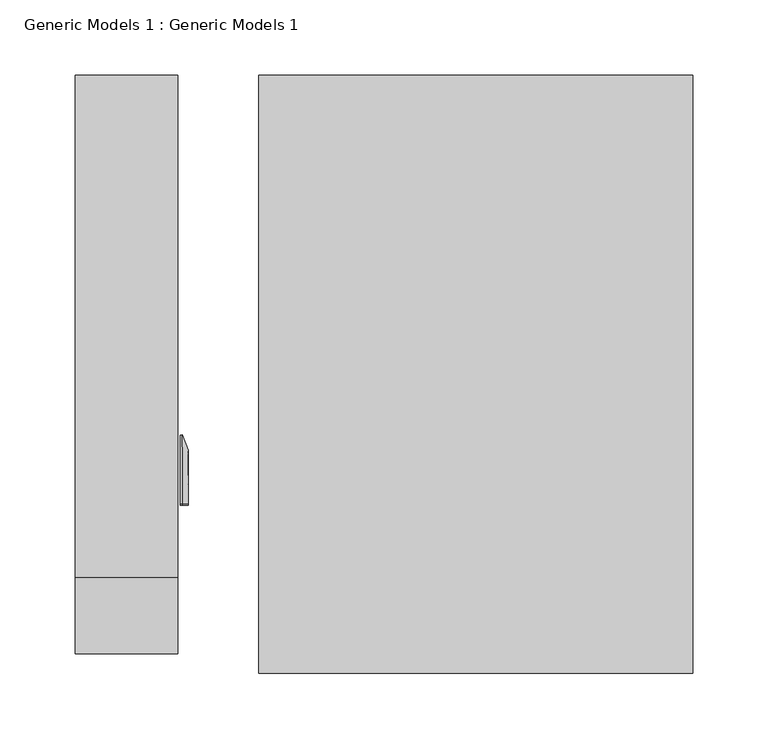
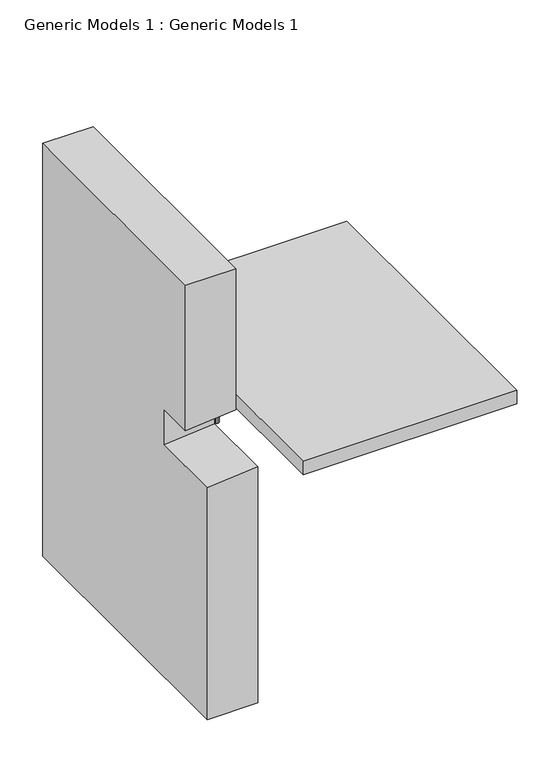
"""IFC4 building model written with IfcOpenShell, lengths in millimetres: proxy geometry, Generic Models 1 : Generic Models 1."""

from ifc_helpers import new_model, si_unit, point, frame, origin, place, context, project, spatial, polyline, circle_curve, ellipse_curve, trimmed, outline, extrude, faceted_brep, source, transform, mapped, element, save
from ifc_brep_helpers import plane_surface, cylinder_surface, revolved_surface, advanced_brep


def generic_models_1_generic_models_1_40f81c49(model_context):
    return source(origin(), model_context, "Body", "SolidModel", [
        advanced_brep(
        [(46.9749755, 110.6696992, 369.4748414), (48.41875, 112.2506797, 369.4748414), (48.41875, 143.2987298, 369.4748414), (44.5098791, 154.0382642, 369.4748414), (46.0016412, 154.5812212, 369.4748414), (49.8147741, 144.1047246, 369.4748414), (50.00625, 143.0188107, 369.4748414), (50.00625, 112.2506797, 369.4748414), (47.118701, 109.0887188, 369.4748414), (44.45, 108.8461096, 369.4748414), (44.45, 110.440156, 369.4748414), (46.9749755, 110.6696992, 417.4974733), (48.41875, 112.2506797, 417.4974733), (48.41875, 108.4598112, 421.2883418), (48.41875, 107.6587794, 421.2883418), (48.41875, 107.6587794, 452.3363919), (48.41875, 108.4598112, 452.3363919), (48.41875, 143.2987298, 417.4974733), (44.5098791, 154.0382642, 417.4974733), (46.0016412, 154.5812212, 417.4974733), (49.8147741, 144.1047246, 417.4974733), (50.00625, 143.0188107, 417.4974733), (50.00625, 108.4598112, 452.0564728), (50.00625, 107.6587794, 452.0564728), (50.00625, 107.6587794, 421.2883418), (50.00625, 108.4598112, 421.2883418), (50.00625, 112.2506797, 417.4974733), (47.118701, 109.0887188, 417.4974733), (44.45, 108.8461096, 417.4974733), (44.45, 108.4598112, 417.8837717), (44.45, 107.6587794, 417.8837717), (44.45, 107.6587794, 419.4778182), (44.45, 108.4598112, 419.4778182), (44.45, 110.440156, 417.4974733), (46.9749755, 108.4598112, 419.7073614), (44.5098791, 108.4598112, 463.0759264), (46.0016412, 108.4598112, 463.6188833), (49.8147741, 108.4598112, 453.1423868), (47.118701, 108.4598112, 418.1263809), (46.9749755, 107.6587794, 419.7073614), (47.118701, 107.6587794, 418.1263809), (49.8147741, 107.6587794, 453.1423868), (46.0016412, 107.6587794, 463.6188833), (44.5098791, 107.6587794, 463.0759264)],
        [
            (0, 1, circle_curve(frame((46.83125, 112.2506797, 369.4748414), z_axis=(0.0, 0.0, 1.0), x_axis=(1.0, 0.0, 0.0)), 1.5875)),
            (1, 2),
            (2, 3),
            (3, 4),
            (4, 5),
            (5, 6, circle_curve(frame((46.83125, 143.0188107, 369.4748414), z_axis=(0.0, 0.0, -1.0), x_axis=(1.0, 0.0, 0.0)), 3.175)),
            (6, 7),
            (7, 8, circle_curve(frame((46.83125, 112.2506797, 369.4748414), z_axis=(0.0, 0.0, -1.0), x_axis=(1.0, 0.0, 0.0)), 3.175)),
            (8, 9),
            (9, 10),
            (10, 0),
            (0, 11),
            (11, 12, circle_curve(frame((46.83125, 112.2506797, 417.4974733), z_axis=(0.0, 0.0, 1.0), x_axis=(1.0, 0.0, 0.0)), 1.5875)),
            (12, 1),
            (12, 13, circle_curve(frame((48.41875, 108.4598112, 417.4974733), z_axis=(1.0, 0.0, 0.0), x_axis=(0.0, 1.0, 0.0)), 3.7908685)),
            (13, 14),
            (14, 15),
            (15, 16),
            (16, 17, circle_curve(frame((48.41875, 108.4598112, 417.4974733), z_axis=(-1.0, 0.0, 0.0), x_axis=(0.0, 1.0, 0.0)), 34.8389186)),
            (17, 2),
            (17, 18),
            (18, 3),
            (18, 19),
            (19, 4),
            (19, 20),
            (20, 5),
            (20, 21, circle_curve(frame((46.83125, 143.0188107, 417.4974733), z_axis=(0.0, 0.0, -1.0), x_axis=(1.0, 0.0, 0.0)), 3.175)),
            (21, 6),
            (21, 22, circle_curve(frame((50.00625, 108.4598112, 417.4974733), z_axis=(1.0, 0.0, 0.0), x_axis=(0.0, 1.0, 0.0)), 34.5589995)),
            (22, 23),
            (23, 24),
            (24, 25),
            (25, 26, circle_curve(frame((50.00625, 108.4598112, 417.4974733), z_axis=(-1.0, 0.0, 0.0), x_axis=(0.0, 1.0, 0.0)), 3.7908685)),
            (26, 7),
            (26, 27, circle_curve(frame((46.83125, 112.2506797, 417.4974733), z_axis=(0.0, 0.0, -1.0), x_axis=(1.0, 0.0, 0.0)), 3.175)),
            (27, 8),
            (27, 28),
            (28, 9),
            (28, 29, circle_curve(frame((44.45, 108.4598112, 417.4974733), z_axis=(1.0, 0.0, 0.0), x_axis=(0.0, 1.0, 0.0)), 0.3862984)),
            (29, 30),
            (30, 31),
            (31, 32),
            (32, 33, circle_curve(frame((44.45, 108.4598112, 417.4974733), z_axis=(-1.0, 0.0, 0.0), x_axis=(0.0, 1.0, 0.0)), 1.9803448)),
            (33, 10),
            (33, 11),
            (11, 34, circle_curve(frame((46.9749755, 108.4598112, 417.4974733), z_axis=(1.0, 0.0, 0.0), x_axis=(0.0, 1.0, 0.0)), 2.2098881)),
            (34, 13, circle_curve(frame((46.83125, 108.4598112, 421.2883418), z_axis=(0.0, -1.0, 0.0), x_axis=(1.0, 0.0, 0.0)), 1.5875)),
            (35, 18, circle_curve(frame((44.5098791, 108.4598112, 417.4974733), z_axis=(-1.0, 0.0, 0.0), x_axis=(0.0, 1.0, 0.0)), 45.578453)),
            (16, 35),
            (36, 19, circle_curve(frame((46.0016412, 108.4598112, 417.4974733), z_axis=(-1.0, 0.0, 0.0), x_axis=(0.0, 1.0, 0.0)), 46.12141)),
            (35, 36),
            (37, 20, circle_curve(frame((49.8147741, 108.4598112, 417.4974733), z_axis=(-1.0, 0.0, 0.0), x_axis=(0.0, 1.0, 0.0)), 35.6449135)),
            (36, 37),
            (37, 22, circle_curve(frame((46.83125, 108.4598112, 452.0564728), z_axis=(0.0, 1.0, 0.0), x_axis=(1.0, 0.0, 0.0)), 3.175)),
            (38, 27, circle_curve(frame((47.118701, 108.4598112, 417.4974733), z_axis=(-1.0, 0.0, 0.0), x_axis=(0.0, 1.0, 0.0)), 0.6289076)),
            (25, 38, circle_curve(frame((46.83125, 108.4598112, 421.2883418), z_axis=(0.0, 1.0, 0.0), x_axis=(1.0, 0.0, 0.0)), 3.175)),
            (38, 29),
            (32, 34),
            (39, 31),
            (30, 40),
            (40, 24, circle_curve(frame((46.83125, 107.6587794, 421.2883418), z_axis=(0.0, -1.0, 0.0), x_axis=(1.0, 0.0, 0.0)), 3.175)),
            (23, 41, circle_curve(frame((46.83125, 107.6587794, 452.0564728), z_axis=(0.0, -1.0, 0.0), x_axis=(1.0, 0.0, 0.0)), 3.175)),
            (41, 42),
            (42, 43),
            (43, 15),
            (14, 39, circle_curve(frame((46.83125, 107.6587794, 421.2883418), z_axis=(0.0, 1.0, 0.0), x_axis=(1.0, 0.0, 0.0)), 1.5875)),
            (34, 39),
            (43, 35),
            (42, 36),
            (41, 37),
            (40, 38),
        ],
        [
            plane_surface(frame((44.45, 110.4441862, 369.4748414), z_axis=(0.0, 0.0, -1.0), x_axis=(1.0, 0.0, 0.0))),
            revolved_surface(polyline([(48.418749999999996, 112.2506797, 417.4974733), (48.418749999999996, 112.2506797, 369.4748414)]), (46.83125, 112.2506797, 369.4748414), (0.0, 0.0, 1.0)),
            plane_surface(frame((48.41875, 112.2506797, 369.4748414), z_axis=(-1.0, 0.0, 0.0), x_axis=(0.0, 0.0, 1.0))),
            plane_surface(frame((48.41875, 143.2987298, 369.4748414), z_axis=(-0.9396926207859074, -0.3420201433256716, 0.0), x_axis=(0.0, 0.0, 1.0))),
            plane_surface(frame((44.5098791, 154.0382642, 369.4748414), z_axis=(-0.3420201433256607, 0.9396926207859114, 0.0), x_axis=(0.0, 0.0, 1.0))),
            plane_surface(frame((46.0016412, 154.5812212, 369.4748414), z_axis=(0.939692620785906, 0.3420201433256756, 0.0), x_axis=(0.0, 0.0, 1.0))),
            cylinder_surface(frame((46.83125, 143.0188107, 369.4748414), z_axis=(0.0, 0.0, -1.0), x_axis=(1.0, 0.0, 0.0)), 3.175),
            plane_surface(frame((50.00625, 143.0188107, 369.4748414), z_axis=(1.0, 0.0, 0.0), x_axis=(0.0, 0.0, 1.0))),
            cylinder_surface(frame((46.83125, 112.2506797, 369.4748414), z_axis=(0.0, 0.0, -1.0), x_axis=(1.0, 0.0, 0.0)), 3.175),
            plane_surface(frame((47.118701, 109.0887188, 369.4748414), z_axis=(0.0905357460425202, -0.9958932064677037, 0.0), x_axis=(0.0, 0.0, 1.0))),
            plane_surface(frame((44.45, 108.8461096, 369.4748414), z_axis=(-1.0, 0.0, 0.0), x_axis=(0.0, 0.0, 1.0))),
            plane_surface(frame((44.45, 110.440156, 369.4748414), z_axis=(-0.09053574604252104, 0.9958932064677036, 0.0), x_axis=(0.0, 0.0, 1.0))),
            revolved_surface(trimmed(ellipse_curve(frame((46.83125, 112.2506797, 417.4974733), z_axis=(0.0, 0.0, 1.0), x_axis=(1.0, 0.0, 0.0)), 1.5875, 1.5875), [point((46.9749755, 110.6696992, 417.4974733))], [point((48.41875, 112.2506797, 417.4974733))], True, "CARTESIAN"), (44.45, 108.4598112, 417.4974733), (1.0, 0.0, 0.0)),
            revolved_surface(polyline([(48.41875, 143.2987298, 417.4974733), (44.5098791, 154.0382642, 417.4974733)]), (44.45, 108.4598112, 417.4974733), (1.0, 0.0, 0.0)),
            revolved_surface(polyline([(44.5098791, 154.0382642, 417.4974733), (46.0016412, 154.5812212, 417.4974733)]), (44.45, 108.4598112, 417.4974733), (1.0, 0.0, 0.0)),
            revolved_surface(polyline([(46.0016412, 154.5812212, 417.4974733), (49.8147741, 144.1047246, 417.4974733)]), (44.45, 108.4598112, 417.4974733), (1.0, 0.0, 0.0)),
            revolved_surface(trimmed(ellipse_curve(frame((46.83125, 143.0188107, 417.4974733), z_axis=(0.0, 0.0, -1.0), x_axis=(1.0, 0.0, 0.0)), 3.175, 3.175), [point((49.8147741, 144.1047246, 417.4974733))], [point((50.00625, 143.0188107, 417.4974733))], True, "CARTESIAN"), (44.45, 108.4598112, 417.4974733), (1.0, 0.0, 0.0)),
            revolved_surface(trimmed(ellipse_curve(frame((46.83125, 112.2506797, 417.4974733), z_axis=(0.0, 0.0, -1.0), x_axis=(1.0, 0.0, 0.0)), 3.175, 3.175), [point((50.00625, 112.2506797, 417.4974733))], [point((47.118701, 109.0887188, 417.4974733))], True, "CARTESIAN"), (44.45, 108.4598112, 417.4974733), (1.0, 0.0, 0.0)),
            revolved_surface(polyline([(47.118701, 109.0887188, 417.4974733), (44.45, 108.8461096, 417.4974733)]), (44.45, 108.4598112, 417.4974733), (1.0, 0.0, 0.0)),
            revolved_surface(polyline([(44.45, 110.440156, 417.4974733), (46.9749755, 110.6696992, 417.4974733)]), (44.45, 108.4598112, 417.4974733), (1.0, 0.0, 0.0)),
            plane_surface(frame((44.45, 107.6587794, 419.4818483), z_axis=(0.0, -1.0, 0.0), x_axis=(1.0, 0.0, 0.0))),
            revolved_surface(polyline([(48.418749999999996, 107.6587794, 421.2883418), (48.418749999999996, 108.4598112, 421.2883418)]), (46.83125, 108.4598112, 421.2883418), (0.0, -1.0, 0.0)),
            plane_surface(frame((48.41875, 108.4598112, 452.3363919), z_axis=(-0.9396926207859091, 0.0, -0.3420201433256669), x_axis=(0.0, -1.0, 0.0))),
            plane_surface(frame((44.5098791, 108.4598112, 463.0759264), z_axis=(-0.342020143325656, 0.0, 0.9396926207859131), x_axis=(0.0, -1.0, 0.0))),
            plane_surface(frame((46.0016412, 108.4598112, 463.6188833), z_axis=(0.9396926207859077, 0.0, 0.3420201433256709), x_axis=(0.0, -1.0, 0.0))),
            cylinder_surface(frame((46.83125, 108.4598112, 452.0564728), z_axis=(0.0, 1.0, 0.0), x_axis=(1.0, 0.0, 0.0)), 3.175),
            cylinder_surface(frame((46.83125, 108.4598112, 421.2883418), z_axis=(0.0, 1.0, 0.0), x_axis=(1.0, 0.0, 0.0)), 3.175),
            plane_surface(frame((47.118701, 108.4598112, 418.1263809), z_axis=(0.09053574604251521, 0.0, -0.9958932064677042), x_axis=(0.0, -1.0, 0.0))),
            plane_surface(frame((44.45, 108.4598112, 419.4778182), z_axis=(-0.09053574604251606, 0.0, 0.9958932064677041), x_axis=(0.0, -1.0, 0.0))),
        ],
        [
            (0, [[1, 2, 3, 4, 5, 6, 7, 8, 9, 10, 11]]),
            (1, [[-1, 12, 13, 14]]),
            (2, [[-2, -14, 15, 16, 17, 18, 19, 20]]),
            (3, [[-3, -20, 21, 22]]),
            (4, [[-4, -22, 23, 24]]),
            (5, [[-5, -24, 25, 26]]),
            (6, [[-6, -26, 27, 28]]),
            (7, [[-7, -28, 29, 30, 31, 32, 33, 34]]),
            (8, [[-8, -34, 35, 36]]),
            (9, [[-9, -36, 37, 38]]),
            (10, [[-10, -38, 39, 40, 41, 42, 43, 44]]),
            (11, [[-11, -44, 45, -12]]),
            (12, [[-15, -13, 46, 47]]),
            (13, [[48, -21, -19, 49]]),
            (14, [[50, -23, -48, 51]]),
            (15, [[52, -25, -50, 53]]),
            (16, [[-29, -27, -52, 54]]),
            (17, [[55, -35, -33, 56]]),
            (18, [[-39, -37, -55, 57]]),
            (19, [[-46, -45, -43, 58]]),
            (20, [[59, -41, 60, 61, -31, 62, 63, 64, 65, -17, 66]]),
            (21, [[-47, 67, -66, -16]]),
            (22, [[-49, -18, -65, 68]]),
            (23, [[-51, -68, -64, 69]]),
            (24, [[-53, -69, -63, 70]]),
            (25, [[-54, -70, -62, -30]]),
            (26, [[-56, -32, -61, 71]]),
            (27, [[-57, -71, -60, -40]]),
            (28, [[-58, -42, -59, -67]]),
        ],
    ),
        faceted_brep([(42.8625, 393.8469389, 31.75), (-25.4, 393.8469389, 31.75), (-25.4, 393.8469389, 621.7129392), (42.8625, 393.8469389, 621.7129392), (-25.4, 8.8441862, 31.75), (42.8625, 8.8441862, 31.75), (42.8625, 8.8441862, 369.3305232), (-25.4, 8.8441862, 363.1248414), (42.8625, 59.6441862, 621.7129392), (42.8625, 59.6441862, 420.1305232), (42.8625, 110.4441862, 420.1305232), (42.8625, 110.4441862, 369.3305232), (-25.4, 59.6441862, 621.7129392), (-25.4, 110.4441862, 363.1248414), (-25.4, 110.4441862, 365.515911), (-25.4, 110.4441862, 411.5337717), (-25.4, 110.4441862, 413.9248414), (-25.4, 59.6441862, 413.9248414)], [[[0, 1, 2, 3]], [[4, 5, 6, 7]], [[0, 3, 8, 9, 10, 11, 6, 5]], [[3, 2, 12, 8]], [[1, 0, 5, 4]], [[2, 1, 4, 7, 13, 14, 15, 16, 17, 12]], [[13, 11, 10, 16, 15, 14]], [[11, 13, 7, 6]], [[16, 10, 9, 17]], [[9, 8, 12, 17]]]),
        extrude(outline(polyline([(96.8375, 393.8469389), (385.7625, 393.8469389), (385.7625, -4.2627831), (96.8375, -4.2627831), (96.8375, 393.8469389)])), frame((0.0, 0.0, 347.2498414), z_axis=(0.0, 0.0, 1.0), x_axis=(1.0, 0.0, 0.0)), (0.0, 0.0, 1.0), 19.05),
    ])


if __name__ == "__main__":
    model = new_model("IFC4")
    model_context = context("Model", 3, world=origin())
    ifc_project = project(units=[si_unit("LENGTHUNIT", "METRE", prefix="MILLI")], contexts=[model_context])
    site = spatial("IfcSite", under=ifc_project)
    building = spatial("IfcBuilding", under=site)
    placement = place(None, origin())
    generic_models_1_generic_models_1_shape = generic_models_1_generic_models_1_40f81c49(model_context)
    element("IfcBuildingElementProxy", 1, Name="Generic Models 1 : Generic Models 1", ObjectType="Generic Models 1 : Generic Models 1", at=placement, inside=building, context=model_context, shape_type="MappedRepresentation", body=[
        mapped(generic_models_1_generic_models_1_shape, transform((0.0, 0.0, 0.0), x_axis=(1.0, 0.0, 0.0), y_axis=(0.0, 1.0, 0.0), z_axis=(0.0, 0.0, 1.0))),
    ])
    save(model, "model.ifc")
